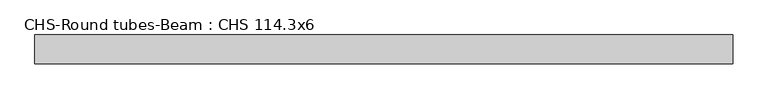
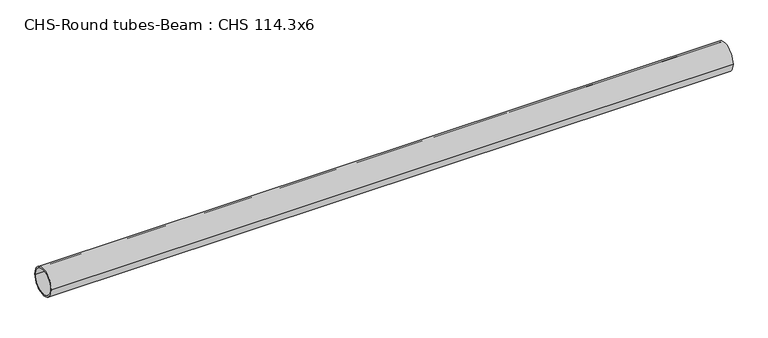
"""IFC4 building model written with IfcOpenShell, lengths in millimetres: beam geometry, CHS-Round tubes-Beam : CHS 114.3x6."""

from ifc_helpers import new_model, si_unit, point, frame, origin, origin_2d, place, context, project, spatial, circle_curve, trimmed, segment, composite_curve, outline, extrude, source, transform, mapped, element, save


def chs_round_tubes_beam_chs_114_3x6_609bb21c(model_context):
    return source(origin(), model_context, "Body", "SweptSolid", [
        extrude(outline(composite_curve([segment(trimmed(circle_curve(origin_2d(), 57.15), [point((57.15, 0.0))], [point((-57.15, 0.0))], False, "CARTESIAN"), True, "CONTINUOUS"), segment(trimmed(circle_curve(origin_2d(), 57.15), [point((-57.15, 0.0))], [point((57.15, 0.0))], False, "CARTESIAN"), True, "CONTINUOUS")], self_intersect=False), holes=[composite_curve([segment(trimmed(circle_curve(origin_2d(), 51.15), [point((51.15, 0.0))], [point((-51.15, 0.0))], True, "CARTESIAN"), True, "CONTINUOUS"), segment(trimmed(circle_curve(origin_2d(), 51.15), [point((-51.15, 0.0))], [point((51.15, 0.0))], True, "CARTESIAN"), True, "CONTINUOUS")], self_intersect=False)]), frame((-1343.7072985, 0.0, 0.0), z_axis=(1.0, 0.0, 0.0), x_axis=(0.0, 1.0, 0.0)), (0.0, 0.0, 1.0), 2774.7869816),
    ])


if __name__ == "__main__":
    model = new_model("IFC4")
    model_context = context("Model", 3, world=origin())
    ifc_project = project(units=[si_unit("LENGTHUNIT", "METRE", prefix="MILLI")], contexts=[model_context])
    site = spatial("IfcSite", under=ifc_project)
    building = spatial("IfcBuilding", under=site)
    placement = place(None, origin())
    chs_round_tubes_beam_chs_114_3x6_shape = chs_round_tubes_beam_chs_114_3x6_609bb21c(model_context)
    element("IfcBeam", 1, ObjectType="CHS-Round tubes-Beam : CHS 114.3x6", at=placement, inside=building, context=model_context, shape_type="MappedRepresentation", body=[
        mapped(chs_round_tubes_beam_chs_114_3x6_shape, transform((0.0, 0.0, 0.0), x_axis=(1.0, 0.0, 0.0), y_axis=(0.0, 1.0, 0.0), z_axis=(0.0, 0.0, 1.0))),
    ])
    save(model, "model.ifc")
